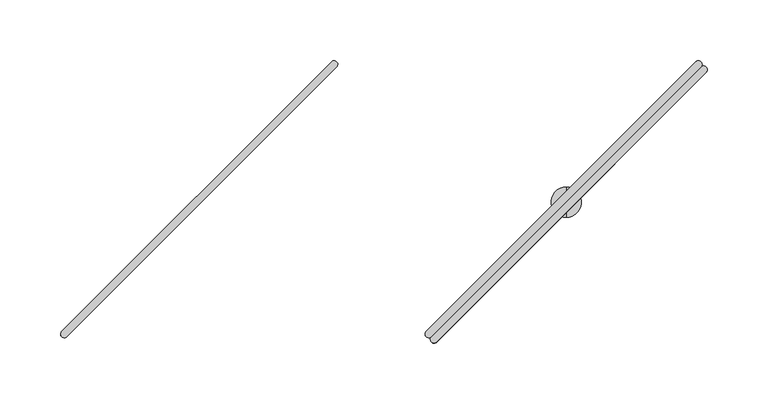
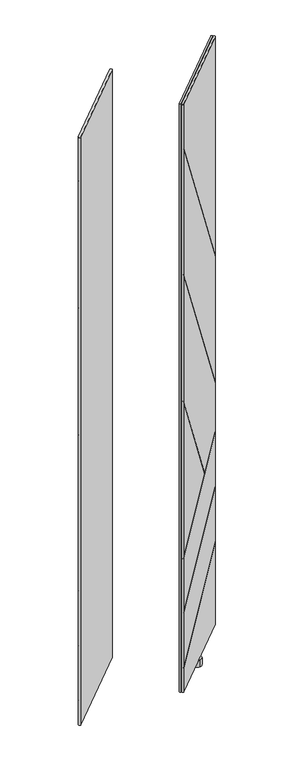
"""IFC4 building model written with IfcOpenShell, lengths in millimetres: furniture geometry."""

import ifcopenshell
import ifcopenshell.guid

model = None  # the IFC model being written
_history = None  # IfcOwnerHistory: only IFC2X3 demands one
_inside = {}  # id of a spatial element -> (the spatial element, [elements in it])
_under = {}  # id of a project, library or spatial element -> (it, [spatial elements below it])
_declared = {}  # id of a project -> (the project, [libraries it declares])
_typed = {}  # id of a type object -> (the type object, [elements of that type])
_made_of = {}  # id of a material, layer set ... -> (it, [elements and type objects made of it])


def new_model(schema):
    """Start an empty IFC model of exactly this schema.

    Asked for "IFC4X3", IfcOpenShell would pick the latest addendum, in which some entities
    have other attributes; the version numbers below select the first issue.
    IFC2X3 requires an IfcOwnerHistory on every rooted entity: one is made here for all.
    """
    global model, _history
    if schema == "IFC4X3":
        model = ifcopenshell.file(schema_version=(4, 3, 0, 0))
    else:
        model = ifcopenshell.file(schema=schema)
    _inside.clear()
    _under.clear()
    _declared.clear()
    _typed.clear()
    _made_of.clear()
    _history = None
    if model.schema == "IFC2X3":
        org = make("IfcOrganization", Name="unknown")
        user = make(
            "IfcPersonAndOrganization",
            ThePerson=make("IfcPerson", FamilyName="unknown"),
            TheOrganization=org,
        )
        app = make(
            "IfcApplication",
            ApplicationDeveloper=org,
            Version="unknown",
            ApplicationFullName="unknown",
            ApplicationIdentifier="unknown",
        )
        _history = make(
            "IfcOwnerHistory",
            OwningUser=user,
            OwningApplication=app,
            ChangeAction="ADDED",
            CreationDate=0,
        )
    return model


def make(cls, **values):
    """One entity of the class cls with the attributes given. An attribute that is None is left unset."""
    return model.create_entity(
        cls, **{name: value for name, value in values.items() if value is not None}
    )


def rooted(cls, **values):
    """An entity with a GlobalId (a new one), such as an element, a storey or a relation."""
    return make(cls, GlobalId=ifcopenshell.guid.new(), OwnerHistory=_history, **values)


def si_unit(unit_type, name, prefix=None):
    """IfcSIUnit, for example si_unit("LENGTHUNIT", "METRE", prefix="MILLI")."""
    return make("IfcSIUnit", UnitType=unit_type, Prefix=prefix, Name=name)


def assignment(units):
    """IfcUnitAssignment: the units of a project."""
    return None if units is None else make("IfcUnitAssignment", Units=units)


def point(xyz):
    """IfcCartesianPoint."""
    return None if xyz is None else make("IfcCartesianPoint", Coordinates=xyz)


def direction(xyz):
    """IfcDirection."""
    return None if xyz is None else make("IfcDirection", DirectionRatios=xyz)


def frame(location, z_axis=None, x_axis=None):
    """IfcAxis2Placement3D, a coordinate frame: its origin and axes. An axis left out is left unset."""
    return make(
        "IfcAxis2Placement3D",
        Location=point(location),
        Axis=direction(z_axis),
        RefDirection=direction(x_axis),
    )


def origin():
    """The frame at (0, 0, 0) with its axes left unset."""
    return frame((0.0, 0.0, 0.0))


def place(relative_to, where):
    """IfcLocalPlacement: puts the frame where relative to a parent placement (None: the world)."""
    return make(
        "IfcLocalPlacement", PlacementRelTo=relative_to, RelativePlacement=where
    )


def context(
    kind, dimensions, precision=None, world=None, true_north=None, identifier=None
):
    """IfcGeometricRepresentationContext, for example the 3D "Model" context."""
    return make(
        "IfcGeometricRepresentationContext",
        ContextIdentifier=identifier,
        ContextType=kind,
        CoordinateSpaceDimension=dimensions,
        Precision=precision,
        WorldCoordinateSystem=world,
        TrueNorth=true_north,
    )


def project(units=None, contexts=None):
    """IfcProject with its units and contexts."""
    return rooted(
        "IfcProject",
        Name="project",
        RepresentationContexts=contexts,
        UnitsInContext=assignment(units),
    )


def spatial(cls, under=None, at=None, **own):
    """A site, building, storey or space (cls), placed at a placement, below another one or the project."""
    s = rooted(cls, ObjectPlacement=at, **own)
    if under is not None:
        _under.setdefault(under.id(), (under, []))[1].append(s)
    return s


def circle_curve(where, radius):
    """IfcCircle in the frame where."""
    return make("IfcCircle", Position=where, Radius=radius)


def ellipse_curve(where, semi_axis1, semi_axis2):
    """IfcEllipse in the frame where."""
    return make(
        "IfcEllipse", Position=where, SemiAxis1=semi_axis1, SemiAxis2=semi_axis2
    )


def shape(context_of_items, identifier, shape_type, items):
    """IfcShapeRepresentation: the items that make up one representation, for example the "Body"."""
    return make(
        "IfcShapeRepresentation",
        ContextOfItems=context_of_items,
        RepresentationIdentifier=identifier,
        RepresentationType=shape_type,
        Items=items,
    )


def source(mapping_origin, context_of_items, identifier, shape_type, items):
    """IfcRepresentationMap: a shape defined once, which mapped items show again and again."""
    return make(
        "IfcRepresentationMap",
        MappingOrigin=mapping_origin,
        MappedRepresentation=shape(context_of_items, identifier, shape_type, items),
    )


def transform(
    local_origin,
    x_axis=None,
    y_axis=None,
    z_axis=None,
    scale=None,
    scale2=None,
    scale3=None,
    uniform=True,
):
    """IfcCartesianTransformationOperator3D, or its non-uniform kind. x_axis, y_axis, z_axis: its Axis1, 2, 3."""
    if uniform:
        return make(
            "IfcCartesianTransformationOperator3D",
            Axis1=direction(x_axis),
            Axis2=direction(y_axis),
            LocalOrigin=point(local_origin),
            Scale=scale,
            Axis3=direction(z_axis),
        )
    return make(
        "IfcCartesianTransformationOperator3DnonUniform",
        Axis1=direction(x_axis),
        Axis2=direction(y_axis),
        LocalOrigin=point(local_origin),
        Scale=scale,
        Axis3=direction(z_axis),
        Scale2=scale2,
        Scale3=scale3,
    )


def mapped(mapping_source, mapping_target):
    """IfcMappedItem: shows the shape of a source again, moved by a transform."""
    return make(
        "IfcMappedItem", MappingSource=mapping_source, MappingTarget=mapping_target
    )


def made_of(thing, what):
    """Note that an element or type object is made of a material, layer set ...; save() writes the relation."""
    if what is not None:
        _made_of.setdefault(what.id(), (what, []))[1].append(thing)
    return thing


def element(
    cls,
    number,
    at=None,
    inside=None,
    cuts=None,
    type_object=None,
    material=None,
    context=None,
    identifier="Body",
    shape_type=None,
    held_by="IfcProductDefinitionShape",
    body=None,
    shapes=None,
    **own,
):
    """One element of the class cls, such as IfcWall. Its Tag is "e" and its number.

    at: its placement. inside: the storey or other place that contains it. cuts: it is an
    opening in that element (IfcRelVoidsElement). A single representation is given by context,
    identifier, shape_type and body (its items); several are given by shapes. held_by: the class
    of the entity that holds the representations. save() writes the other relations.
    """
    e = rooted(cls, Tag="e%d" % number, ObjectPlacement=at, **own)
    if body is not None:
        shapes = [shape(context, identifier, shape_type, body)]
    if shapes is not None:
        e.Representation = make(held_by, Representations=shapes)
    if inside is not None:
        _inside.setdefault(inside.id(), (inside, []))[1].append(e)
    if cuts is not None:
        rooted(
            "IfcRelVoidsElement", RelatingBuildingElement=cuts, RelatedOpeningElement=e
        )
    if type_object is not None:
        _typed.setdefault(type_object.id(), (type_object, []))[1].append(e)
    return made_of(e, material)


def aggregate(whole, parts):
    """IfcRelAggregates: a whole, such as a stair, and the parts it consists of."""
    return rooted("IfcRelAggregates", RelatingObject=whole, RelatedObjects=parts)


def save(model, path):
    """Write the relations noted so far, then the file.

    IfcRelAggregates (storeys below a building ...), IfcRelContainedInSpatialStructure (elements
    in a storey), IfcRelDefinesByType, IfcRelAssociatesMaterial and IfcRelDeclares: one each for
    every whole, place, type object, material and project.
    """
    for whole, parts in _under.values():
        aggregate(whole, parts)
    for where, things in _inside.values():
        rooted(
            "IfcRelContainedInSpatialStructure",
            RelatedElements=things,
            RelatingStructure=where,
        )
    for kind, things in _typed.values():
        rooted("IfcRelDefinesByType", RelatedObjects=things, RelatingType=kind)
    for what, things in _made_of.values():
        rooted("IfcRelAssociatesMaterial", RelatedObjects=things, RelatingMaterial=what)
    for by, libraries in _declared.values():
        rooted("IfcRelDeclares", RelatingContext=by, RelatedDefinitions=libraries)
    model.write(path)


def plane_surface(at):
    """IfcPlane: the flat surface through the origin of the frame at, square to its z axis."""
    return make("IfcPlane", Position=at)


def cylinder_surface(at, radius):
    """IfcCylindricalSurface: all points at the distance radius from the z axis of the frame at."""
    return make("IfcCylindricalSurface", Position=at, Radius=radius)


def advanced_brep(points, edges, surfaces, faces):
    """IfcAdvancedBrep: a solid bounded by faces that lie on surfaces and meet in shared edges.

    An edge is (start, end): straight between two places in points (the first is 0);
    or (start, end, curve); or (start, end, curve, False) where it runs against its curve.
    A face is (place in surfaces, loops), or (place, loops, False) where it looks against
    its surface's normal. A loop lists edges by number (the first is 1), with a minus sign
    where the edge is run from its end to its start. The first loop is the outer one.
    """
    corners = [point(p) for p in points]
    vertices = [make("IfcVertexPoint", VertexGeometry=c) for c in corners]
    made = []
    for start, end, *more in edges:
        made.append(
            make(
                "IfcEdgeCurve",
                EdgeStart=vertices[start],
                EdgeEnd=vertices[end],
                EdgeGeometry=more[0] if more else make("IfcPolyline", Points=[corners[start], corners[end]]),
                SameSense=more[1] if len(more) > 1 else True,
            )
        )
    hull = []
    for where, loops, *sense in faces:
        bounds = []
        for j, loop in enumerate(loops):
            ring = [make("IfcOrientedEdge", EdgeElement=made[abs(k) - 1], Orientation=k > 0) for k in loop]
            bounds.append(
                make(
                    "IfcFaceOuterBound" if j == 0 else "IfcFaceBound",
                    Bound=make("IfcEdgeLoop", EdgeList=ring),
                    Orientation=True,
                )
            )
        hull.append(make("IfcAdvancedFace", Bounds=bounds, FaceSurface=surfaces[where], SameSense=sense[0] if sense else True))
    return make("IfcAdvancedBrep", Outer=make("IfcClosedShell", CfsFaces=hull))


def furniture_9d4505e6(model_context):
    return source(origin(), model_context, "Body", "AdvancedBrep", [
        advanced_brep(
        [(-410.9200656, -183.0476726, 1894.2939983), (-188.9561853, 39.0094149, 1894.2939983), (-193.1718839, 43.2234083, 1894.2939983), (-415.18364, -178.7849606, 1894.2939983), (-410.9200656, -183.0476726, 44.4119983), (-415.18364, -178.7849606, 44.4119983), (-193.1718839, 43.2234083, 44.4119983), (-188.9561853, 39.0094149, 44.4119983), (-415.18364, -178.7849606, 1754.2066762), (-415.6875022, -182.380027, 1759.272488), (-415.6875022, -182.380027, 1756.1013739), (-415.18364, -178.7849606, 1751.0355622), (-415.18364, -178.7849606, 1354.7535777), (-415.6875022, -182.380027, 1359.81841), (-415.6875022, -182.380027, 1356.6477579), (-415.18364, -178.7849606, 1351.5829255), (-415.18364, -178.7849606, 955.298773), (-415.6875022, -182.380027, 960.3636054), (-415.6875022, -182.380027, 957.1929532), (-415.18364, -178.7849606, 952.1281208), (-415.18364, -178.7849606, 469.401), (-415.6875022, -182.380027, 467.7135995), (-415.6875022, -182.380027, 465.8913563), (-415.18364, -178.7849606, 467.5787569), (-415.18364, -178.7849606, 296.5844727), (-415.6875022, -182.380027, 294.8972637), (-415.6875022, -182.380027, 293.075073), (-415.18364, -178.7849606, 294.7622819), (-415.18364, -178.7849606, 124.6262293), (-415.6875022, -182.380027, 122.9389644), (-415.6875022, -182.380027, 119.2357715), (-415.18364, -178.7849606, 120.9230364), (-193.1718839, 43.2234083, 1205.4480643), (-193.1718839, 43.2234083, 303.6975157), (-193.1718839, 43.2234083, 1202.2769503), (-193.1718839, 43.2234083, 806.1010587), (-193.1718839, 43.2234083, 802.9304065), (-193.1718839, 43.2234083, 652.1901824), (-267.7009115, -31.3044822, 590.8281165), (-268.6632876, -32.2668437, 590.0357623), (-193.1718839, 43.2234083, 650.3679393), (-193.1718839, 43.2234083, 479.3528977), (-193.1718839, 43.2234083, 477.530707), (-193.1718839, 43.2234083, 307.4007086), (-189.6483388, 43.6591364, 305.3272934), (-189.6483388, 43.6591364, 309.0304863), (-189.6483388, 43.6591364, 479.1604307), (-189.6483388, 43.6591364, 480.9826215), (-189.6483388, 43.6591364, 651.9978481), (-189.6483388, 43.6591364, 653.8200912), (-189.6483388, 43.6591364, 798.038139), (-189.6483388, 43.6591364, 801.2087912), (-189.6483388, 43.6591364, 1197.3837367), (-189.6483388, 43.6591364, 1200.5548508), (-266.1564344, -32.8489592, 590.8281165), (-267.1188033, -33.811328, 590.0357623)],
        [
            (0, 1),
            (1, 2, circle_curve(frame((-191.1161655, 41.0642596, 1894.2939983), z_axis=(0.0, 0.0, 1.0), x_axis=(0.6892541380737184, 0.724519656840486, 0.0)), 2.9812584)),
            (2, 3),
            (3, 0, circle_curve(frame((-413.0520846, -180.9165485, 1894.2939983), z_axis=(0.0, 0.0, 1.0), x_axis=(-0.7071121751659861, -0.7071013871659622, 0.0)), 3.0144975)),
            (4, 5, circle_curve(frame((-413.0520846, -180.9165485, 44.4119983), z_axis=(0.0, 0.0, -1.0), x_axis=(-0.7071121751659861, -0.7071013871659622, 0.0)), 3.0144975)),
            (5, 6),
            (6, 7, circle_curve(frame((-191.1161655, 41.0642596, 44.4119983), z_axis=(0.0, 0.0, -1.0), x_axis=(0.6892541380737184, 0.724519656840486, 0.0)), 2.9812584)),
            (7, 4),
            (3, 8),
            (8, 9, ellipse_curve(frame((-413.0520846, -180.9165485, 1754.2067164), z_axis=(0.6137510408992909, 0.6137510408992904, 0.4966078126550915), x_axis=(-0.3511547519186339, -0.35115475191863366, 0.867975045960381)), 6.0701774, 3.0144975)),
            (9, 10),
            (10, 11, ellipse_curve(frame((-413.0520846, -180.9165485, 1751.0356024), z_axis=(-0.6137510408992913, -0.6137510408992902, -0.49660781265509124), x_axis=(-0.3511547519186339, -0.35115475191863327, 0.8679750459603811)), 6.0701774, 3.0144975)),
            (11, 12),
            (12, 13, ellipse_curve(frame((-413.0520846, -180.9165485, 1354.7536178), z_axis=(0.6137217711363938, 0.6137217711363934, 0.4966801538882105), x_axis=(-0.3512059048951318, -0.35120590489513154, 0.8679336522647244)), 6.0692932, 3.0144975)),
            (13, 14),
            (14, 15, ellipse_curve(frame((-413.0520846, -180.9165485, 1351.5829657), z_axis=(-0.6137217711363929, -0.613721771136394, -0.4966801538882105), x_axis=(-0.3512059048951313, -0.3512059048951319, 0.8679336522647244)), 6.0692932, 3.0144975)),
            (15, 16),
            (16, 17, ellipse_curve(frame((-413.0520846, -180.9165485, 955.2988132), z_axis=(0.6137217711363938, 0.6137217711363934, 0.49668015388821035), x_axis=(-0.35120590489513165, -0.35120590489513137, 0.8679336522647245)), 6.0692932, 3.0144975)),
            (17, 18),
            (18, 19, ellipse_curve(frame((-413.0520846, -180.9165485, 952.128161), z_axis=(-0.613721771136394, -0.6137217711363929, -0.4966801538882105), x_axis=(-0.3512059048951319, -0.3512059048951313, 0.8679336522647244)), 6.0692932, 3.0144975)),
            (19, 20),
            (20, 21, ellipse_curve(frame((-413.0520846, -180.9165485, 469.4009867), z_axis=(-0.35576802902276056, -0.35576802902275995, 0.8642095920843049), x_axis=(0.6110884629292727, 0.6110884629292717, 0.5031319717027327)), 3.4881556, 3.0144975)),
            (21, 22),
            (22, 23, ellipse_curve(frame((-413.0520846, -180.9165485, 467.5787435), z_axis=(0.35576802902276056, 0.35576802902275995, -0.8642095920843049), x_axis=(0.6110884629292727, 0.6110884629292717, 0.5031319717027327)), 3.4881556, 3.0144975)),
            (23, 24),
            (24, 25, ellipse_curve(frame((-413.0520846, -180.9165485, 296.5844593), z_axis=(-0.3557378542673982, -0.35573785426739757, 0.8642344346775679), x_axis=(0.6111060292954311, 0.6111060292954301, 0.5030892981544572)), 3.4880553, 3.0144975)),
            (25, 26),
            (26, 27, ellipse_curve(frame((-413.0520846, -180.9165485, 294.7622685), z_axis=(0.35573785426739823, 0.3557378542673976, -0.8642344346775679), x_axis=(0.6111060292954312, 0.6111060292954301, 0.5030892981544572)), 3.4880553, 3.0144975)),
            (27, 28),
            (28, 29, ellipse_curve(frame((-413.0520846, -180.9165485, 124.6262159), z_axis=(-0.3557466555065138, -0.3557466555065132, 0.8642271889913322), x_axis=(0.6111009058215596, 0.6111009058215585, 0.5031017449861812)), 3.4880845, 3.0144975)),
            (29, 30),
            (30, 31, ellipse_curve(frame((-413.0520846, -180.9165485, 120.923023), z_axis=(0.3557466555065137, 0.3557466555065131, -0.8642271889913324), x_axis=(0.6111009058215598, 0.6111009058215587, 0.5031017449861805)), 3.4880845, 3.0144975)),
            (31, 5),
            (4, 0),
            (2, 32),
            (32, 8),
            (31, 33),
            (33, 6),
            (11, 34),
            (34, 35),
            (35, 12),
            (15, 36),
            (36, 37),
            (37, 38),
            (38, 16),
            (19, 39),
            (39, 20),
            (23, 40),
            (40, 41),
            (41, 24),
            (27, 42),
            (42, 43),
            (43, 28),
            (1, 7),
            (33, 44, ellipse_curve(frame((-191.1161655, 41.0642596, 303.65494), z_axis=(0.3557466555065137, 0.3557466555065131, -0.8642271889913324), x_axis=(0.6111009058215598, 0.6111009058215587, 0.5031017449861805)), 3.4496234, 2.9812584)),
            (44, 45),
            (45, 43, ellipse_curve(frame((-191.1161655, 41.0642596, 307.3581329), z_axis=(-0.3557466555065138, -0.3557466555065132, 0.8642271889913322), x_axis=(0.6111009058215596, 0.6111009058215585, 0.5031017449861812)), 3.4496234, 2.9812584)),
            (42, 46, ellipse_curve(frame((-191.1161655, 41.0642596, 477.4881328), z_axis=(0.35573785426739823, 0.3557378542673976, -0.8642344346775679), x_axis=(0.6111060292954312, 0.6111060292954301, 0.5030892981544572)), 3.4495945, 2.9812584)),
            (46, 47),
            (47, 41, ellipse_curve(frame((-191.1161655, 41.0642596, 479.3103235), z_axis=(-0.3557378542673982, -0.35573785426739757, 0.8642344346775679), x_axis=(0.6111060292954311, 0.6111060292954301, 0.5030892981544572)), 3.4495945, 2.9812584)),
            (40, 48, ellipse_curve(frame((-191.1161655, 41.0642596, 650.3253602), z_axis=(0.35576802902276056, 0.35576802902275995, -0.8642095920843049), x_axis=(0.6110884629292727, 0.6110884629292717, 0.5031319717027327)), 3.4496937, 2.9812584)),
            (48, 49),
            (49, 37, ellipse_curve(frame((-191.1161655, 41.0642596, 652.1476034), z_axis=(-0.35576802902276056, -0.35576802902275995, 0.8642095920843049), x_axis=(0.6110884629292727, 0.6110884629292717, 0.5031319717027327)), 3.4496937, 2.9812584)),
            (36, 50, ellipse_curve(frame((-191.1161655, 41.0642596, 803.0582101), z_axis=(-0.6137217711363929, -0.613721771136394, -0.4966801538882105), x_axis=(-0.3512059048951313, -0.3512059048951319, 0.8679336522647244)), 6.0023706, 2.9812584)),
            (50, 51),
            (51, 35, ellipse_curve(frame((-191.1161655, 41.0642596, 806.2288622), z_axis=(0.6137217711363938, 0.6137217711363934, 0.4966801538882105), x_axis=(-0.3512059048951318, -0.35120590489513154, 0.8679336522647244)), 6.0023706, 2.9812584)),
            (34, 52, ellipse_curve(frame((-191.1161655, 41.0642596, 1202.4047785), z_axis=(-0.6137510408992913, -0.6137510408992902, -0.49660781265509124), x_axis=(-0.3511547519186339, -0.35115475191863327, 0.8679750459603811)), 6.003245, 2.9812584)),
            (52, 53),
            (53, 32, ellipse_curve(frame((-191.1161655, 41.0642596, 1205.5758926), z_axis=(0.6137510408992909, 0.6137510408992904, 0.4966078126550915), x_axis=(-0.3511547519186339, -0.35115475191863366, 0.867975045960381)), 6.003245, 2.9812584)),
            (29, 45),
            (44, 30),
            (9, 53),
            (52, 10),
            (13, 51),
            (50, 14),
            (54, 49),
            (48, 22),
            (21, 55),
            (55, 18),
            (17, 54),
            (25, 47),
            (46, 26),
            (54, 38),
            (55, 39),
        ],
        [
            plane_surface(frame((-302.0579437, -69.8999525, 1894.2939983), z_axis=(0.0, 0.0, 1.0000000000000002), x_axis=(0.7069583324882522, 0.7072551987263367, 0.0))),
            plane_surface(frame((-302.0579437, -69.8999525, 44.4119983), z_axis=(0.0, 0.0, -1.0000000000000002), x_axis=(0.7069583324882522, 0.7072551987263367, 0.0))),
            cylinder_surface(frame((-413.0520846, -180.9165485, 44.4119983), z_axis=(0.0, 0.0, 1.0), x_axis=(-0.7071121751659861, -0.7071013871659622, 0.0)), 3.0144975),
            plane_surface(frame((-304.1777619, -67.7807761, 44.4119983), z_axis=(-0.7071013871659615, 0.7071121751659868, 0.0), x_axis=(-0.7071121751659868, -0.7071013871659615, 0.0))),
            cylinder_surface(frame((-191.1161655, 41.0642596, 44.4119983), z_axis=(0.0, 0.0, 1.0), x_axis=(0.6892541380737184, 0.724519656840486, 0.0)), 2.9812584),
            plane_surface(frame((-299.9381254, -72.0191288, 44.4119983), z_axis=(0.7072551987263367, -0.7069583324882522, 0.0), x_axis=(0.7069583324882522, 0.7072551987263367, 0.0))),
            plane_surface(frame((-418.1747555, -184.8672803, 1753.0132577), z_axis=(-0.7071067811865472, 0.707106781186548, 0.0), x_axis=(0.0, 0.0, -1.0))),
            plane_surface(frame((-200.5009041, 72.3196981, 312.6576982), z_axis=(-0.3557466555065137, -0.3557466555065131, 0.8642271889913324), x_axis=(0.7071067811865469, -0.7071067811865481, 0.0))),
            plane_surface(frame((-437.9313189, -165.1107168, 120.8912806), z_axis=(0.35574665550651385, 0.35574665550651324, -0.8642271889913324), x_axis=(0.7071067811865469, -0.7071067811865481, 0.0))),
            plane_surface(frame((-200.5009041, 72.3196981, 1175.3750692), z_axis=(0.6137510408992913, 0.6137510408992902, 0.49660781265509124), x_axis=(0.7071067811865469, -0.7071067811865481, 0.0))),
            plane_surface(frame((-437.9313189, -165.1107168, 1765.4204149), z_axis=(-0.6137510408992909, -0.6137510408992904, -0.4966078126550915), x_axis=(0.7071067811865472, -0.7071067811865478, 0.0))),
            plane_surface(frame((-200.5009041, 72.3196981, 776.0337264), z_axis=(0.6137217711363929, 0.613721771136394, 0.4966801538882105), x_axis=(0.7071067811865481, -0.7071067811865469, 0.0))),
            plane_surface(frame((-437.9313189, -165.1107168, 1365.9651484), z_axis=(-0.6137217711363938, -0.6137217711363934, -0.4966801538882105), x_axis=(0.7071067811865472, -0.7071067811865478, 0.0))),
            plane_surface(frame((-200.5009041, 72.3196981, 659.3288426), z_axis=(-0.3557680290227606, -0.35576802902276, 0.8642095920843051), x_axis=(0.7071067811865469, -0.7071067811865481, 0.0))),
            plane_surface(frame((-285.9129979, -13.0923958, 590.8281165), z_axis=(0.3557680290227606, 0.35576802902276, -0.8642095920843051), x_axis=(0.7071067811865469, -0.7071067811865481, 0.0))),
            plane_surface(frame((-200.5009041, 72.3196981, 486.4905927), z_axis=(-0.35573785426739823, -0.3557378542673976, 0.8642344346775679), x_axis=(0.7071067811865469, -0.7071067811865481, 0.0))),
            plane_surface(frame((-437.9313189, -165.1107168, 292.8496477), z_axis=(0.3557378542673982, 0.35573785426739757, -0.8642344346775679), x_axis=(0.7071067811865469, -0.7071067811865481, 0.0))),
            plane_surface(frame((-437.9313189, -165.1107168, 966.5103438), z_axis=(-0.6137217711363938, -0.6137217711363934, -0.49668015388821035), x_axis=(0.7071067811865472, -0.7071067811865478, 0.0))),
            plane_surface(frame((-286.8753667, -14.0547646, 590.0357623), z_axis=(0.613721771136394, 0.6137217711363929, 0.4966801538882105), x_axis=(0.7071067811865469, -0.7071067811865481, 0.0))),
            plane_surface(frame((-437.9313189, -165.1107168, 465.6657509), z_axis=(0.3557680290227606, 0.35576802902276, -0.8642095920843051), x_axis=(0.7071067811865469, -0.7071067811865481, 0.0))),
        ],
        [
            (0, [[1, 2, 3, 4]]),
            (1, [[5, 6, 7, 8]]),
            (2, [[-4, 9, 10, 11, 12, 13, 14, 15, 16, 17, 18, 19, 20, 21, 22, 23, 24, 25, 26, 27, 28, 29, 30, 31, 32, 33, -5, 34]]),
            (3, [[-3, 35, 36, -9]]),
            (3, [[-6, -33, 37, 38]]),
            (3, [[-13, 39, 40, 41]]),
            (3, [[-17, 42, 43, 44, 45]]),
            (3, [[-21, 46, 47]]),
            (3, [[-25, 48, 49, 50]]),
            (3, [[-29, 51, 52, 53]]),
            (4, [[-2, 54, -7, -38, 55, 56, 57, -52, 58, 59, 60, -49, 61, 62, 63, -43, 64, 65, 66, -40, 67, 68, 69, -35]]),
            (5, [[-1, -34, -8, -54]]),
            (6, [[70, -56, 71, -31]]),
            (6, [[72, -68, 73, -11]]),
            (6, [[74, -65, 75, -15]]),
            (6, [[76, -62, 77, -23, 78, 79, -19, 80]]),
            (6, [[81, -59, 82, -27]]),
            (7, [[-71, -55, -37, -32]]),
            (8, [[-70, -30, -53, -57]]),
            (9, [[-73, -67, -39, -12]]),
            (10, [[-72, -10, -36, -69]]),
            (11, [[-75, -64, -42, -16]]),
            (12, [[-74, -14, -41, -66]]),
            (13, [[-77, -61, -48, -24]]),
            (14, [[-76, 83, -44, -63]]),
            (15, [[-82, -58, -51, -28]]),
            (16, [[-81, -26, -50, -60]]),
            (17, [[-80, -18, -45, -83]]),
            (18, [[-79, 84, -46, -20]]),
            (19, [[-78, -22, -47, -84]]),
        ],
    ),
        advanced_brep(
        [(-410.9593734, -183.0083649, 1894.2939983), (-406.6966613, -187.2719392, 1894.2939983), (-184.6882924, 34.7398168, 1894.2939983), (-188.9022858, 38.9555155, 1894.2939983), (-410.9593733, -183.0083649, 44.4119983), (-188.9022858, 38.9555155, 44.4119983), (-184.6882924, 34.7398168, 44.4119983), (-406.6966613, -187.2719392, 44.4119983), (-406.6966613, -187.2719392, 120.9230364), (-410.2917277, -187.7758015, 119.2357715), (-410.2917277, -187.7758015, 122.9389644), (-406.6966613, -187.2719392, 124.6262293), (-406.6966613, -187.2719392, 294.7622819), (-410.2917277, -187.7758015, 293.075073), (-410.2917277, -187.7758015, 294.8972637), (-406.6966613, -187.2719392, 296.5844727), (-406.6966613, -187.2719392, 467.5787569), (-410.2917277, -187.7758015, 465.8913563), (-410.2917277, -187.7758015, 467.7135995), (-406.6966613, -187.2719392, 469.401), (-406.6966613, -187.2719392, 952.1281208), (-410.2917277, -187.7758015, 957.1929532), (-410.2917277, -187.7758015, 960.3636054), (-406.6966613, -187.2719392, 955.298773), (-406.6966613, -187.2719392, 1351.5829255), (-410.2917277, -187.7758015, 1356.6477579), (-410.2917277, -187.7758015, 1359.81841), (-406.6966613, -187.2719392, 1354.7535777), (-406.6966613, -187.2719392, 1751.0355622), (-410.2917277, -187.7758015, 1756.1013739), (-410.2917277, -187.7758015, 1759.272488), (-406.6966613, -187.2719392, 1754.2066762), (-184.6882924, 34.7398168, 307.4007086), (-184.6882924, 34.7398168, 477.530707), (-184.6882924, 34.7398168, 479.3528977), (-184.6882924, 34.7398168, 650.3679393), (-260.1785444, -40.7515869, 590.0357623), (-259.2161829, -39.7892108, 590.8281165), (-184.6882924, 34.7398168, 652.1901824), (-184.6882924, 34.7398168, 802.9304065), (-184.6882924, 34.7398168, 806.1010587), (-184.6882924, 34.7398168, 1202.2769503), (-184.6882924, 34.7398168, 1205.4480643), (-184.6882924, 34.7398168, 303.6975157), (-184.2525643, 38.263362, 1200.5548508), (-184.2525643, 38.263362, 1197.3837367), (-184.2525643, 38.263362, 801.2087912), (-184.2525643, 38.263362, 798.038139), (-184.2525643, 38.263362, 653.8200912), (-184.2525643, 38.263362, 651.9978481), (-184.2525643, 38.263362, 480.9826215), (-184.2525643, 38.263362, 479.1604307), (-184.2525643, 38.263362, 309.0304863), (-184.2525643, 38.263362, 305.3272934), (-260.76066, -38.2447337, 590.8281165), (-261.7230288, -39.2071025, 590.0357623)],
        [
            (0, 1, circle_curve(frame((-408.8282492, -185.1403839, 1894.2939983), z_axis=(0.0, 0.0, 1.0), x_axis=(-0.7072551987263337, -0.7069583324882551, 0.0)), 3.0144975)),
            (1, 2),
            (2, 3, circle_curve(frame((-186.8474411, 36.7955352, 1894.2939983), z_axis=(0.0, 0.0, 1.0), x_axis=(0.6895472047235311, 0.7242407420588576, 0.0)), 2.9812584)),
            (3, 0),
            (4, 5),
            (5, 6, circle_curve(frame((-186.8474411, 36.7955352, 44.4119983), z_axis=(0.0, 0.0, -1.0), x_axis=(0.6895472047235311, 0.7242407420588576, 0.0)), 2.9812584)),
            (6, 7),
            (7, 4, circle_curve(frame((-408.8282492, -185.1403839, 44.4119983), z_axis=(0.0, 0.0, -1.0), x_axis=(-0.7072551987263337, -0.7069583324882551, 0.0)), 3.0144975)),
            (0, 4),
            (7, 8),
            (8, 9, ellipse_curve(frame((-408.8282492, -185.1403839, 120.923023), z_axis=(0.3557466555065141, 0.35574665550651347, -0.8642271889913322), x_axis=(0.6111009058215596, 0.6111009058215586, 0.5031017449861808)), 3.4880845, 3.0144975)),
            (9, 10),
            (10, 11, ellipse_curve(frame((-408.8282492, -185.1403839, 124.6262159), z_axis=(-0.3557466555065138, -0.3557466555065132, 0.8642271889913322), x_axis=(0.6111009058215596, 0.6111009058215585, 0.5031017449861812)), 3.4880845, 3.0144975)),
            (11, 12),
            (12, 13, ellipse_curve(frame((-408.8282492, -185.1403839, 294.7622685), z_axis=(0.3557378542673982, 0.35573785426739757, -0.8642344346775678), x_axis=(0.611106029295431, 0.61110602929543, 0.5030892981544577)), 3.4880553, 3.0144975)),
            (13, 14),
            (14, 15, ellipse_curve(frame((-408.8282492, -185.1403839, 296.5844593), z_axis=(-0.3557378542673982, -0.35573785426739757, 0.8642344346775679), x_axis=(0.6111060292954311, 0.6111060292954301, 0.5030892981544572)), 3.4880553, 3.0144975)),
            (15, 16),
            (16, 17, ellipse_curve(frame((-408.8282492, -185.1403839, 467.5787435), z_axis=(0.35576802902276067, 0.35576802902276006, -0.8642095920843049), x_axis=(0.6110884629292728, 0.6110884629292717, 0.5031319717027326)), 3.4881556, 3.0144975)),
            (17, 18),
            (18, 19, ellipse_curve(frame((-408.8282492, -185.1403839, 469.4009867), z_axis=(-0.3557680290227606, -0.35576802902276, 0.864209592084305), x_axis=(0.6110884629292728, 0.6110884629292717, 0.5031319717027324)), 3.4881556, 3.0144975)),
            (19, 20),
            (20, 21, ellipse_curve(frame((-408.8282492, -185.1403839, 952.128161), z_axis=(-0.6137217711363941, -0.6137217711363931, -0.4966801538882102), x_axis=(-0.3512059048951317, -0.3512059048951311, 0.8679336522647246)), 6.0692932, 3.0144975)),
            (21, 22),
            (22, 23, ellipse_curve(frame((-408.8282492, -185.1403839, 955.2988132), z_axis=(0.6137217711363941, 0.613721771136393, 0.49668015388821024), x_axis=(-0.35120590489513176, -0.3512059048951311, 0.8679336522647245)), 6.0692932, 3.0144975)),
            (23, 24),
            (24, 25, ellipse_curve(frame((-408.8282492, -185.1403839, 1351.5829657), z_axis=(-0.6137217711363941, -0.6137217711363931, -0.4966801538882103), x_axis=(-0.35120590489513176, -0.3512059048951312, 0.8679336522647245)), 6.0692932, 3.0144975)),
            (25, 26),
            (26, 27, ellipse_curve(frame((-408.8282492, -185.1403839, 1354.7536178), z_axis=(0.6137217711363941, 0.6137217711363931, 0.4966801538882103), x_axis=(-0.35120590489513176, -0.3512059048951312, 0.8679336522647245)), 6.0692932, 3.0144975)),
            (27, 28),
            (28, 29, ellipse_curve(frame((-408.8282492, -185.1403839, 1751.0356024), z_axis=(-0.6137510408992914, -0.6137510408992903, -0.4966078126550913), x_axis=(-0.351154751918634, -0.3511547519186334, 0.8679750459603811)), 6.0701774, 3.0144975)),
            (29, 30),
            (30, 31, ellipse_curve(frame((-408.8282492, -185.1403839, 1754.2067164), z_axis=(0.6137510408992906, 0.6137510408992916, 0.4966078126550908), x_axis=(-0.351154751918633, -0.35115475191863355, 0.8679750459603813)), 6.0701774, 3.0144975)),
            (31, 1),
            (11, 32),
            (32, 33),
            (33, 12),
            (15, 34),
            (34, 35),
            (35, 16),
            (19, 36),
            (36, 20),
            (23, 37),
            (37, 38),
            (38, 39),
            (39, 24),
            (27, 40),
            (40, 41),
            (41, 28),
            (31, 42),
            (42, 2),
            (6, 43),
            (43, 8),
            (42, 44, ellipse_curve(frame((-186.8474411, 36.7955352, 1205.5758926), z_axis=(0.6137510408992906, 0.6137510408992916, 0.4966078126550908), x_axis=(-0.351154751918633, -0.35115475191863355, 0.8679750459603813)), 6.003245, 2.9812584)),
            (44, 45),
            (45, 41, ellipse_curve(frame((-186.8474411, 36.7955352, 1202.4047785), z_axis=(-0.6137510408992914, -0.6137510408992903, -0.4966078126550913), x_axis=(-0.351154751918634, -0.3511547519186334, 0.8679750459603811)), 6.003245, 2.9812584)),
            (40, 46, ellipse_curve(frame((-186.8474411, 36.7955352, 806.2288622), z_axis=(0.6137217711363941, 0.6137217711363931, 0.4966801538882103), x_axis=(-0.35120590489513176, -0.3512059048951312, 0.8679336522647245)), 6.0023706, 2.9812584)),
            (46, 47),
            (47, 39, ellipse_curve(frame((-186.8474411, 36.7955352, 803.0582101), z_axis=(-0.6137217711363941, -0.6137217711363931, -0.4966801538882103), x_axis=(-0.35120590489513176, -0.3512059048951312, 0.8679336522647245)), 6.0023706, 2.9812584)),
            (38, 48, ellipse_curve(frame((-186.8474411, 36.7955352, 652.1476034), z_axis=(-0.355768029022761, -0.3557680290227604, 0.8642095920843047), x_axis=(0.6110884629292725, 0.6110884629292714, 0.5031319717027329)), 3.4496937, 2.9812584)),
            (48, 49),
            (49, 35, ellipse_curve(frame((-186.8474411, 36.7955352, 650.3253602), z_axis=(0.35576802902276067, 0.35576802902276006, -0.8642095920843049), x_axis=(0.6110884629292728, 0.6110884629292717, 0.5031319717027326)), 3.4496937, 2.9812584)),
            (34, 50, ellipse_curve(frame((-186.8474411, 36.7955352, 479.3103235), z_axis=(-0.3557378542673982, -0.35573785426739757, 0.8642344346775679), x_axis=(0.6111060292954311, 0.6111060292954301, 0.5030892981544572)), 3.4495945, 2.9812584)),
            (50, 51),
            (51, 33, ellipse_curve(frame((-186.8474411, 36.7955352, 477.4881328), z_axis=(0.3557378542673982, 0.35573785426739757, -0.8642344346775678), x_axis=(0.611106029295431, 0.61110602929543, 0.5030892981544577)), 3.4495945, 2.9812584)),
            (32, 52, ellipse_curve(frame((-186.8474411, 36.7955352, 307.3581329), z_axis=(-0.3557466555065138, -0.3557466555065132, 0.8642271889913322), x_axis=(0.6111009058215596, 0.6111009058215585, 0.5031017449861812)), 3.4496234, 2.9812584)),
            (52, 53),
            (53, 43, ellipse_curve(frame((-186.8474411, 36.7955352, 303.65494), z_axis=(0.3557466555065141, 0.35574665550651347, -0.8642271889913322), x_axis=(0.6111009058215596, 0.6111009058215586, 0.5031017449861808)), 3.4496234, 2.9812584)),
            (5, 3),
            (9, 53),
            (52, 10),
            (29, 45),
            (44, 30),
            (25, 47),
            (46, 26),
            (13, 51),
            (50, 14),
            (54, 22),
            (21, 55),
            (55, 18),
            (17, 49),
            (48, 54),
            (37, 54),
            (36, 55),
        ],
        [
            plane_surface(frame((-297.8116532, -74.146243, 1894.2939983), z_axis=(0.0, 0.0, 1.0000000000000002), x_axis=(-0.7072551987263422, -0.7069583324882467, 0.0))),
            plane_surface(frame((-297.8116532, -74.146243, 44.4119983), z_axis=(0.0, 0.0, -1.0000000000000002), x_axis=(-0.7072551987263422, -0.7069583324882467, 0.0))),
            cylinder_surface(frame((-408.8282492, -185.1403839, 44.4119983), z_axis=(0.0, 0.0, 1.0), x_axis=(-0.7072551987263337, -0.7069583324882551, 0.0)), 3.0144975),
            plane_surface(frame((-295.6924769, -76.2660612, 44.4119983), z_axis=(0.7071121751659858, -0.7071013871659624, 0.0), x_axis=(0.7071013871659624, 0.7071121751659858, 0.0))),
            cylinder_surface(frame((-186.8474411, 36.7955352, 44.4119983), z_axis=(0.0, 0.0, 1.0), x_axis=(0.6895472047235311, 0.7242407420588576, 0.0)), 2.9812584),
            plane_surface(frame((-299.9308295, -72.0264247, 44.4119983), z_axis=(-0.7069583324882512, 0.7072551987263376, 0.0), x_axis=(-0.7072551987263376, -0.7069583324882512, 0.0))),
            plane_surface(frame((-393.8412555, -171.3253292, 132.7789707), z_axis=(0.7071067811865472, -0.7071067811865481, 0.0), x_axis=(-0.6111009058215594, -0.6111009058215585, -0.5031017449861812))),
            plane_surface(frame((-393.0224175, -210.0196182, 117.1880877), z_axis=(-0.3557466555065141, -0.35574665550651347, 0.8642271889913322), x_axis=(-0.7071067811865469, 0.7071067811865481, 0.0))),
            plane_surface(frame((-155.5920027, 27.4107966, 316.3608911), z_axis=(0.35574665550651385, 0.35574665550651324, -0.8642271889913324), x_axis=(-0.7071067811865469, 0.7071067811865481, 0.0))),
            plane_surface(frame((-393.0224175, -210.0196182, 1762.2493009), z_axis=(0.6137510408992913, 0.6137510408992902, 0.4966078126550912), x_axis=(-0.7071067811865469, 0.7071067811865481, 0.0))),
            plane_surface(frame((-155.5920027, 27.4107966, 1178.5461832), z_axis=(-0.6137510408992906, -0.6137510408992916, -0.4966078126550908), x_axis=(-0.7071067811865481, 0.7071067811865469, 0.0))),
            plane_surface(frame((-393.0224175, -210.0196182, 1362.7944962), z_axis=(0.6137217711363941, 0.6137217711363931, 0.4966801538882103), x_axis=(-0.7071067811865469, 0.7071067811865481, 0.0))),
            plane_surface(frame((-155.5920027, 27.4107966, 779.2043786), z_axis=(-0.6137217711363941, -0.6137217711363931, -0.4966801538882103), x_axis=(-0.7071067811865469, 0.7071067811865481, 0.0))),
            plane_surface(frame((-393.0224175, -210.0196182, 463.8435078), z_axis=(-0.35576802902276067, -0.35576802902276006, 0.8642095920843049), x_axis=(-0.7071067811865469, 0.7071067811865481, 0.0))),
            plane_surface(frame((-155.5920027, 27.4107966, 661.1510857), z_axis=(0.355768029022761, 0.3557680290227604, -0.8642095920843047), x_axis=(-0.7071067811865469, 0.7071067811865481, 0.0))),
            plane_surface(frame((-393.0224175, -210.0196182, 291.0274569), z_axis=(-0.3557378542673982, -0.35573785426739757, 0.8642344346775678), x_axis=(-0.7071067811865469, 0.7071067811865481, 0.0))),
            plane_surface(frame((-155.5920027, 27.4107966, 488.3127834), z_axis=(0.3557378542673982, 0.35573785426739757, -0.8642344346775679), x_axis=(-0.7071067811865469, 0.7071067811865481, 0.0))),
            plane_surface(frame((-241.0040965, -58.0012972, 590.8281165), z_axis=(-0.6137217711363941, -0.613721771136393, -0.49668015388821024), x_axis=(-0.7071067811865469, 0.7071067811865481, 0.0))),
            plane_surface(frame((-393.0224175, -210.0196182, 963.3396916), z_axis=(0.6137217711363941, 0.6137217711363931, 0.4966801538882102), x_axis=(-0.7071067811865469, 0.7071067811865481, 0.0))),
            plane_surface(frame((-241.9664653, -58.963666, 590.0357623), z_axis=(0.3557680290227606, 0.35576802902276, -0.864209592084305), x_axis=(-0.7071067811865469, 0.7071067811865481, 0.0))),
        ],
        [
            (0, [[1, 2, 3, 4]]),
            (1, [[5, 6, 7, 8]]),
            (2, [[-1, 9, -8, 10, 11, 12, 13, 14, 15, 16, 17, 18, 19, 20, 21, 22, 23, 24, 25, 26, 27, 28, 29, 30, 31, 32, 33, 34]]),
            (3, [[-14, 35, 36, 37]]),
            (3, [[-18, 38, 39, 40]]),
            (3, [[-22, 41, 42]]),
            (3, [[-26, 43, 44, 45, 46]]),
            (3, [[-30, 47, 48, 49]]),
            (3, [[-2, -34, 50, 51]]),
            (3, [[-7, 52, 53, -10]]),
            (4, [[-3, -51, 54, 55, 56, -48, 57, 58, 59, -45, 60, 61, 62, -39, 63, 64, 65, -36, 66, 67, 68, -52, -6, 69]]),
            (5, [[-4, -69, -5, -9]]),
            (6, [[70, -67, 71, -12]]),
            (6, [[72, -55, 73, -32]]),
            (6, [[74, -58, 75, -28]]),
            (6, [[76, -64, 77, -16]]),
            (6, [[78, -24, 79, 80, -20, 81, -61, 82]]),
            (7, [[-70, -11, -53, -68]]),
            (8, [[-71, -66, -35, -13]]),
            (9, [[-72, -31, -49, -56]]),
            (10, [[-73, -54, -50, -33]]),
            (11, [[-74, -27, -46, -59]]),
            (12, [[-75, -57, -47, -29]]),
            (13, [[-81, -19, -40, -62]]),
            (14, [[-82, -60, -44, 83]]),
            (15, [[-76, -15, -37, -65]]),
            (16, [[-77, -63, -38, -17]]),
            (17, [[-78, -83, -43, -25]]),
            (18, [[-79, -23, -42, 84]]),
            (19, [[-80, -84, -41, -21]]),
        ],
    ),
        advanced_brep(
        [(-299.9994, -84.5709522, 44.4119983), (-299.9994, -59.5748171, 44.4119983), (-299.9994, -59.5748171, 23.6755986), (-299.9994, -84.5709522, 23.6755986), (-299.9994, -72.0728847, 44.4119983), (-299.9994, -72.0728847, 23.6755986)],
        [
            (0, 1, circle_curve(frame((-299.9994, -72.0728847, 44.4119983), z_axis=(0.0, 0.0, -1.0), x_axis=(0.0, 1.0, 0.0)), 12.4980675)),
            (1, 2),
            (2, 3, circle_curve(frame((-299.9994, -72.0728847, 23.6755986), z_axis=(0.0, 0.0, 1.0), x_axis=(0.0, 1.0, 0.0)), 12.4980675)),
            (3, 0),
            (4, 1),
            (0, 4),
            (0, 1, circle_curve(frame((-299.9994, -72.0728847, 44.4119983), z_axis=(0.0, 0.0, 1.0), x_axis=(0.0, 1.0, 0.0)), 12.4980675)),
            (2, 5),
            (5, 3),
            (2, 3, circle_curve(frame((-299.9994, -72.0728847, 23.6755986), z_axis=(0.0, 0.0, -1.0), x_axis=(0.0, 1.0, 0.0)), 12.4980675)),
        ],
        [
            cylinder_surface(frame((-299.9994, -72.0728847, 51.9527758), z_axis=(0.0, 0.0, 1.0), x_axis=(0.0, 1.0, 0.0)), 12.4980675),
            plane_surface(frame((-299.9994, -72.0728847, 44.4119983), z_axis=(0.0, 0.0, 1.0), x_axis=(0.0, 1.0, 0.0))),
            plane_surface(frame((-299.9994, -72.0728847, 23.6755986), z_axis=(0.0, 0.0, -1.0), x_axis=(0.0, 1.0, 0.0))),
        ],
        [
            (0, [[1, 2, 3, 4]]),
            (1, [[5, -1, 6]]),
            (1, [[-6, 7, -5]]),
            (2, [[-3, 8, 9]]),
            (2, [[10, -9, -8]]),
            (0, [[-7, -4, -10, -2]]),
        ],
    ),
        advanced_brep(
        [(-710.9194656, -183.0476726, 1894.2939983), (-488.9555853, 39.0094149, 1894.2939983), (-493.1712839, 43.2234083, 1894.2939983), (-715.18304, -178.7849606, 1894.2939983), (-710.9194656, -183.0476726, 44.4119983), (-715.18304, -178.7849606, 44.4119983), (-493.1712839, 43.2234083, 44.4119983), (-488.9555853, 39.0094149, 44.4119983), (-715.18304, -178.7849606, 1754.2066762), (-715.6869022, -182.380027, 1759.272488), (-715.6869022, -182.380027, 1756.1013739), (-715.18304, -178.7849606, 1751.0355622), (-715.18304, -178.7849606, 1354.7535777), (-715.6869022, -182.380027, 1359.81841), (-715.6869022, -182.380027, 1356.6477579), (-715.18304, -178.7849606, 1351.5829255), (-715.18304, -178.7849606, 955.298773), (-715.6869022, -182.380027, 960.3636054), (-715.6869022, -182.380027, 957.1929532), (-715.18304, -178.7849606, 952.1281208), (-715.18304, -178.7849606, 469.401), (-715.6869022, -182.380027, 467.7135995), (-715.6869022, -182.380027, 465.8913563), (-715.18304, -178.7849606, 467.5787569), (-715.18304, -178.7849606, 296.5844727), (-715.6869022, -182.380027, 294.8972637), (-715.6869022, -182.380027, 293.075073), (-715.18304, -178.7849606, 294.7622819), (-715.18304, -178.7849606, 124.6262293), (-715.6869022, -182.380027, 122.9389644), (-715.6869022, -182.380027, 119.2357715), (-715.18304, -178.7849606, 120.9230364), (-493.1712839, 43.2234083, 1205.4480643), (-493.1712839, 43.2234083, 303.6975157), (-493.1712839, 43.2234083, 1202.2769503), (-493.1712839, 43.2234083, 806.1010587), (-493.1712839, 43.2234083, 802.9304065), (-493.1712839, 43.2234083, 652.1901824), (-567.7003115, -31.3044822, 590.8281165), (-568.6626876, -32.2668437, 590.0357623), (-493.1712839, 43.2234083, 650.3679393), (-493.1712839, 43.2234083, 479.3528977), (-493.1712839, 43.2234083, 477.530707), (-493.1712839, 43.2234083, 307.4007086), (-489.6477388, 43.6591364, 305.3272934), (-489.6477388, 43.6591364, 309.0304863), (-489.6477388, 43.6591364, 479.1604307), (-489.6477388, 43.6591364, 480.9826215), (-489.6477388, 43.6591364, 651.9978481), (-489.6477388, 43.6591364, 653.8200912), (-489.6477388, 43.6591364, 798.038139), (-489.6477388, 43.6591364, 801.2087912), (-489.6477388, 43.6591364, 1197.3837367), (-489.6477388, 43.6591364, 1200.5548508), (-566.1558344, -32.8489592, 590.8281165), (-567.1182033, -33.811328, 590.0357623)],
        [
            (0, 1),
            (1, 2, circle_curve(frame((-491.1155655, 41.0642596, 1894.2939983), z_axis=(0.0, 0.0, 1.0), x_axis=(0.6892541380737184, 0.724519656840486, 0.0)), 2.9812584)),
            (2, 3),
            (3, 0, circle_curve(frame((-713.0514846, -180.9165485, 1894.2939983), z_axis=(0.0, 0.0, 1.0), x_axis=(-0.7071121751659861, -0.7071013871659622, 0.0)), 3.0144975)),
            (4, 5, circle_curve(frame((-713.0514846, -180.9165485, 44.4119983), z_axis=(0.0, 0.0, -1.0), x_axis=(-0.7071121751659861, -0.7071013871659622, 0.0)), 3.0144975)),
            (5, 6),
            (6, 7, circle_curve(frame((-491.1155655, 41.0642596, 44.4119983), z_axis=(0.0, 0.0, -1.0), x_axis=(0.6892541380737184, 0.724519656840486, 0.0)), 2.9812584)),
            (7, 4),
            (3, 8),
            (8, 9, ellipse_curve(frame((-713.0514846, -180.9165485, 1754.2067164), z_axis=(0.6137510408992909, 0.6137510408992904, 0.4966078126550915), x_axis=(-0.3511547519186339, -0.35115475191863366, 0.867975045960381)), 6.0701774, 3.0144975)),
            (9, 10),
            (10, 11, ellipse_curve(frame((-713.0514846, -180.9165485, 1751.0356024), z_axis=(-0.6137510408992913, -0.6137510408992902, -0.49660781265509124), x_axis=(-0.3511547519186339, -0.35115475191863327, 0.8679750459603811)), 6.0701774, 3.0144975)),
            (11, 12),
            (12, 13, ellipse_curve(frame((-713.0514846, -180.9165485, 1354.7536178), z_axis=(0.6137217711363938, 0.6137217711363934, 0.4966801538882105), x_axis=(-0.3512059048951318, -0.35120590489513154, 0.8679336522647244)), 6.0692932, 3.0144975)),
            (13, 14),
            (14, 15, ellipse_curve(frame((-713.0514846, -180.9165485, 1351.5829657), z_axis=(-0.6137217711363929, -0.613721771136394, -0.4966801538882105), x_axis=(-0.3512059048951313, -0.3512059048951319, 0.8679336522647244)), 6.0692932, 3.0144975)),
            (15, 16),
            (16, 17, ellipse_curve(frame((-713.0514846, -180.9165485, 955.2988132), z_axis=(0.6137217711363938, 0.6137217711363934, 0.49668015388821035), x_axis=(-0.35120590489513165, -0.35120590489513137, 0.8679336522647245)), 6.0692932, 3.0144975)),
            (17, 18),
            (18, 19, ellipse_curve(frame((-713.0514846, -180.9165485, 952.128161), z_axis=(-0.613721771136394, -0.6137217711363929, -0.4966801538882105), x_axis=(-0.3512059048951319, -0.3512059048951313, 0.8679336522647244)), 6.0692932, 3.0144975)),
            (19, 20),
            (20, 21, ellipse_curve(frame((-713.0514846, -180.9165485, 469.4009867), z_axis=(-0.35576802902276056, -0.35576802902275995, 0.8642095920843049), x_axis=(0.6110884629292727, 0.6110884629292717, 0.5031319717027327)), 3.4881556, 3.0144975)),
            (21, 22),
            (22, 23, ellipse_curve(frame((-713.0514846, -180.9165485, 467.5787435), z_axis=(0.35576802902276056, 0.35576802902275995, -0.8642095920843049), x_axis=(0.6110884629292727, 0.6110884629292717, 0.5031319717027327)), 3.4881556, 3.0144975)),
            (23, 24),
            (24, 25, ellipse_curve(frame((-713.0514846, -180.9165485, 296.5844593), z_axis=(-0.3557378542673982, -0.35573785426739757, 0.8642344346775679), x_axis=(0.6111060292954311, 0.6111060292954301, 0.5030892981544572)), 3.4880553, 3.0144975)),
            (25, 26),
            (26, 27, ellipse_curve(frame((-713.0514846, -180.9165485, 294.7622685), z_axis=(0.35573785426739823, 0.3557378542673976, -0.8642344346775679), x_axis=(0.6111060292954312, 0.6111060292954301, 0.5030892981544572)), 3.4880553, 3.0144975)),
            (27, 28),
            (28, 29, ellipse_curve(frame((-713.0514846, -180.9165485, 124.6262159), z_axis=(-0.3557466555065138, -0.3557466555065132, 0.8642271889913322), x_axis=(0.6111009058215596, 0.6111009058215585, 0.5031017449861812)), 3.4880845, 3.0144975)),
            (29, 30),
            (30, 31, ellipse_curve(frame((-713.0514846, -180.9165485, 120.923023), z_axis=(0.3557466555065137, 0.3557466555065131, -0.8642271889913324), x_axis=(0.6111009058215598, 0.6111009058215587, 0.5031017449861805)), 3.4880845, 3.0144975)),
            (31, 5),
            (4, 0),
            (2, 32),
            (32, 8),
            (31, 33),
            (33, 6),
            (11, 34),
            (34, 35),
            (35, 12),
            (15, 36),
            (36, 37),
            (37, 38),
            (38, 16),
            (19, 39),
            (39, 20),
            (23, 40),
            (40, 41),
            (41, 24),
            (27, 42),
            (42, 43),
            (43, 28),
            (1, 7),
            (33, 44, ellipse_curve(frame((-491.1155655, 41.0642596, 303.65494), z_axis=(0.3557466555065137, 0.3557466555065131, -0.8642271889913324), x_axis=(0.6111009058215598, 0.6111009058215587, 0.5031017449861805)), 3.4496234, 2.9812584)),
            (44, 45),
            (45, 43, ellipse_curve(frame((-491.1155655, 41.0642596, 307.3581329), z_axis=(-0.3557466555065138, -0.3557466555065132, 0.8642271889913322), x_axis=(0.6111009058215596, 0.6111009058215585, 0.5031017449861812)), 3.4496234, 2.9812584)),
            (42, 46, ellipse_curve(frame((-491.1155655, 41.0642596, 477.4881328), z_axis=(0.35573785426739823, 0.3557378542673976, -0.8642344346775679), x_axis=(0.6111060292954312, 0.6111060292954301, 0.5030892981544572)), 3.4495945, 2.9812584)),
            (46, 47),
            (47, 41, ellipse_curve(frame((-491.1155655, 41.0642596, 479.3103235), z_axis=(-0.3557378542673982, -0.35573785426739757, 0.8642344346775679), x_axis=(0.6111060292954311, 0.6111060292954301, 0.5030892981544572)), 3.4495945, 2.9812584)),
            (40, 48, ellipse_curve(frame((-491.1155655, 41.0642596, 650.3253602), z_axis=(0.35576802902276056, 0.35576802902275995, -0.8642095920843049), x_axis=(0.6110884629292727, 0.6110884629292717, 0.5031319717027327)), 3.4496937, 2.9812584)),
            (48, 49),
            (49, 37, ellipse_curve(frame((-491.1155655, 41.0642596, 652.1476034), z_axis=(-0.35576802902276056, -0.35576802902275995, 0.8642095920843049), x_axis=(0.6110884629292727, 0.6110884629292717, 0.5031319717027327)), 3.4496937, 2.9812584)),
            (36, 50, ellipse_curve(frame((-491.1155655, 41.0642596, 803.0582101), z_axis=(-0.6137217711363929, -0.613721771136394, -0.4966801538882105), x_axis=(-0.3512059048951313, -0.3512059048951319, 0.8679336522647244)), 6.0023706, 2.9812584)),
            (50, 51),
            (51, 35, ellipse_curve(frame((-491.1155655, 41.0642596, 806.2288622), z_axis=(0.6137217711363938, 0.6137217711363934, 0.4966801538882105), x_axis=(-0.3512059048951318, -0.35120590489513154, 0.8679336522647244)), 6.0023706, 2.9812584)),
            (34, 52, ellipse_curve(frame((-491.1155655, 41.0642596, 1202.4047785), z_axis=(-0.6137510408992913, -0.6137510408992902, -0.49660781265509124), x_axis=(-0.3511547519186339, -0.35115475191863327, 0.8679750459603811)), 6.003245, 2.9812584)),
            (52, 53),
            (53, 32, ellipse_curve(frame((-491.1155655, 41.0642596, 1205.5758926), z_axis=(0.6137510408992909, 0.6137510408992904, 0.4966078126550915), x_axis=(-0.3511547519186339, -0.35115475191863366, 0.867975045960381)), 6.003245, 2.9812584)),
            (29, 45),
            (44, 30),
            (9, 53),
            (52, 10),
            (13, 51),
            (50, 14),
            (54, 49),
            (48, 22),
            (21, 55),
            (55, 18),
            (17, 54),
            (25, 47),
            (46, 26),
            (54, 38),
            (55, 39),
        ],
        [
            plane_surface(frame((-602.0573437, -69.8999525, 1894.2939983), z_axis=(0.0, 0.0, 1.0000000000000002), x_axis=(0.7069583324882522, 0.7072551987263367, 0.0))),
            plane_surface(frame((-602.0573437, -69.8999525, 44.4119983), z_axis=(0.0, 0.0, -1.0000000000000002), x_axis=(0.7069583324882522, 0.7072551987263367, 0.0))),
            cylinder_surface(frame((-713.0514846, -180.9165485, 44.4119983), z_axis=(0.0, 0.0, 1.0), x_axis=(-0.7071121751659861, -0.7071013871659622, 0.0)), 3.0144975),
            plane_surface(frame((-604.1771619, -67.7807761, 44.4119983), z_axis=(-0.7071013871659615, 0.7071121751659868, 0.0), x_axis=(-0.7071121751659868, -0.7071013871659615, 0.0))),
            cylinder_surface(frame((-491.1155655, 41.0642596, 44.4119983), z_axis=(0.0, 0.0, 1.0), x_axis=(0.6892541380737184, 0.724519656840486, 0.0)), 2.9812584),
            plane_surface(frame((-599.9375254, -72.0191288, 44.4119983), z_axis=(0.7072551987263367, -0.7069583324882522, 0.0), x_axis=(0.7069583324882522, 0.7072551987263367, 0.0))),
            plane_surface(frame((-718.1741555, -184.8672803, 1753.0132577), z_axis=(-0.7071067811865472, 0.707106781186548, 0.0), x_axis=(0.0, 0.0, -1.0))),
            plane_surface(frame((-500.5003041, 72.3196981, 312.6576982), z_axis=(-0.3557466555065137, -0.3557466555065131, 0.8642271889913324), x_axis=(0.7071067811865469, -0.7071067811865481, 0.0))),
            plane_surface(frame((-737.9307189, -165.1107168, 120.8912806), z_axis=(0.35574665550651385, 0.35574665550651324, -0.8642271889913324), x_axis=(0.7071067811865469, -0.7071067811865481, 0.0))),
            plane_surface(frame((-500.5003041, 72.3196981, 1175.3750692), z_axis=(0.6137510408992913, 0.6137510408992902, 0.49660781265509124), x_axis=(0.7071067811865469, -0.7071067811865481, 0.0))),
            plane_surface(frame((-737.9307189, -165.1107168, 1765.4204149), z_axis=(-0.6137510408992909, -0.6137510408992904, -0.4966078126550915), x_axis=(0.7071067811865472, -0.7071067811865478, 0.0))),
            plane_surface(frame((-500.5003041, 72.3196981, 776.0337264), z_axis=(0.6137217711363929, 0.613721771136394, 0.4966801538882105), x_axis=(0.7071067811865481, -0.7071067811865469, 0.0))),
            plane_surface(frame((-737.9307189, -165.1107168, 1365.9651484), z_axis=(-0.6137217711363938, -0.6137217711363934, -0.4966801538882105), x_axis=(0.7071067811865472, -0.7071067811865478, 0.0))),
            plane_surface(frame((-500.5003041, 72.3196981, 659.3288426), z_axis=(-0.3557680290227606, -0.35576802902276, 0.8642095920843051), x_axis=(0.7071067811865469, -0.7071067811865481, 0.0))),
            plane_surface(frame((-585.9123979, -13.0923958, 590.8281165), z_axis=(0.3557680290227606, 0.35576802902276, -0.8642095920843051), x_axis=(0.7071067811865469, -0.7071067811865481, 0.0))),
            plane_surface(frame((-500.5003041, 72.3196981, 486.4905927), z_axis=(-0.35573785426739823, -0.3557378542673976, 0.8642344346775679), x_axis=(0.7071067811865469, -0.7071067811865481, 0.0))),
            plane_surface(frame((-737.9307189, -165.1107168, 292.8496477), z_axis=(0.3557378542673982, 0.35573785426739757, -0.8642344346775679), x_axis=(0.7071067811865469, -0.7071067811865481, 0.0))),
            plane_surface(frame((-737.9307189, -165.1107168, 966.5103438), z_axis=(-0.6137217711363938, -0.6137217711363934, -0.49668015388821035), x_axis=(0.7071067811865472, -0.7071067811865478, 0.0))),
            plane_surface(frame((-586.8747667, -14.0547646, 590.0357623), z_axis=(0.613721771136394, 0.6137217711363929, 0.4966801538882105), x_axis=(0.7071067811865469, -0.7071067811865481, 0.0))),
            plane_surface(frame((-737.9307189, -165.1107168, 465.6657509), z_axis=(0.3557680290227606, 0.35576802902276, -0.8642095920843051), x_axis=(0.7071067811865469, -0.7071067811865481, 0.0))),
        ],
        [
            (0, [[1, 2, 3, 4]]),
            (1, [[5, 6, 7, 8]]),
            (2, [[-4, 9, 10, 11, 12, 13, 14, 15, 16, 17, 18, 19, 20, 21, 22, 23, 24, 25, 26, 27, 28, 29, 30, 31, 32, 33, -5, 34]]),
            (3, [[-3, 35, 36, -9]]),
            (3, [[-6, -33, 37, 38]]),
            (3, [[-13, 39, 40, 41]]),
            (3, [[-17, 42, 43, 44, 45]]),
            (3, [[-21, 46, 47]]),
            (3, [[-25, 48, 49, 50]]),
            (3, [[-29, 51, 52, 53]]),
            (4, [[-2, 54, -7, -38, 55, 56, 57, -52, 58, 59, 60, -49, 61, 62, 63, -43, 64, 65, 66, -40, 67, 68, 69, -35]]),
            (5, [[-1, -34, -8, -54]]),
            (6, [[70, -56, 71, -31]]),
            (6, [[72, -68, 73, -11]]),
            (6, [[74, -65, 75, -15]]),
            (6, [[76, -62, 77, -23, 78, 79, -19, 80]]),
            (6, [[81, -59, 82, -27]]),
            (7, [[-71, -55, -37, -32]]),
            (8, [[-70, -30, -53, -57]]),
            (9, [[-73, -67, -39, -12]]),
            (10, [[-72, -10, -36, -69]]),
            (11, [[-75, -64, -42, -16]]),
            (12, [[-74, -14, -41, -66]]),
            (13, [[-77, -61, -48, -24]]),
            (14, [[-76, 83, -44, -63]]),
            (15, [[-82, -58, -51, -28]]),
            (16, [[-81, -26, -50, -60]]),
            (17, [[-80, -18, -45, -83]]),
            (18, [[-79, 84, -46, -20]]),
            (19, [[-78, -22, -47, -84]]),
        ],
    ),
    ])


if __name__ == "__main__":
    model = new_model("IFC4")
    model_context = context("Model", 3, world=origin())
    ifc_project = project(units=[si_unit("LENGTHUNIT", "METRE", prefix="MILLI")], contexts=[model_context])
    site = spatial("IfcSite", under=ifc_project)
    building = spatial("IfcBuilding", under=site)
    placement = place(None, origin())
    furniture_shape = furniture_9d4505e6(model_context)
    element("IfcFurniture", 1, at=placement, inside=building, context=model_context, shape_type="MappedRepresentation", body=[
        mapped(furniture_shape, transform((0.0, 0.0, 0.0), x_axis=(1.0, 0.0, 0.0), y_axis=(0.0, 1.0, 0.0), z_axis=(0.0, 0.0, 1.0))),
    ])
    save(model, "model.ifc")
